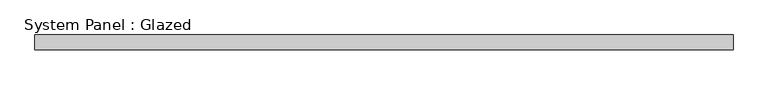
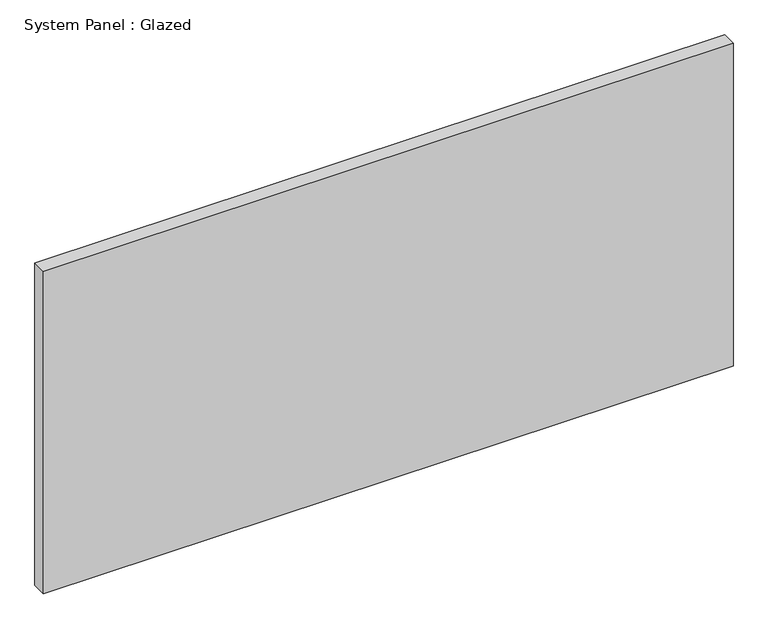
"""IFC4 building model written with IfcOpenShell, lengths in millimetres: plate geometry, System Panel : Glazed."""

from ifc_helpers import new_model, si_unit, origin, origin_with_axes, place, context, project, spatial, polyline, outline, extrude, source, transform, mapped, element, save


def system_panel_glazed_1539d68a(model_context):
    return source(origin(), model_context, "Body", "SweptSolid", [
        extrude(outline(polyline([(590.55, -44.45), (-590.55, -44.45), (-590.55, -19.05), (590.55, -19.05), (590.55, -44.45)])), origin_with_axes(), (0.0, 0.0, 1.0), 584.2),
    ])


if __name__ == "__main__":
    model = new_model("IFC4")
    model_context = context("Model", 3, world=origin())
    ifc_project = project(units=[si_unit("LENGTHUNIT", "METRE", prefix="MILLI")], contexts=[model_context])
    site = spatial("IfcSite", under=ifc_project)
    building = spatial("IfcBuilding", under=site)
    placement = place(None, origin())
    system_panel_glazed_shape = system_panel_glazed_1539d68a(model_context)
    element("IfcPlate", 1, ObjectType="System Panel : Glazed", at=placement, inside=building, context=model_context, shape_type="MappedRepresentation", body=[
        mapped(system_panel_glazed_shape, transform((0.0, 0.0, 0.0), x_axis=(1.0, 0.0, 0.0), y_axis=(0.0, 1.0, 0.0), z_axis=(0.0, 0.0, 1.0))),
    ])
    save(model, "model.ifc")
